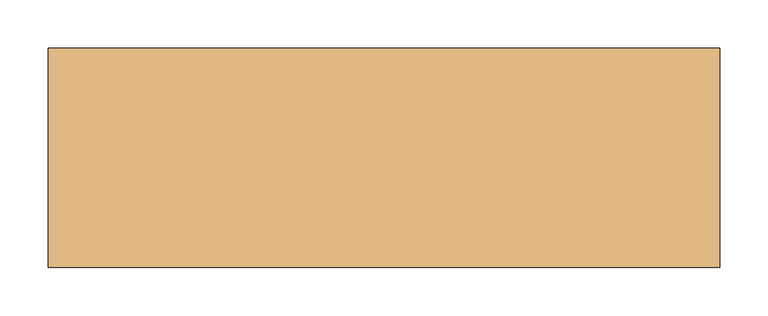
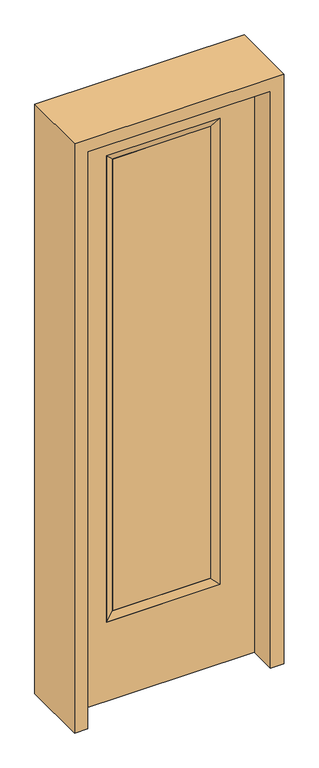
"""IFC4 building model written with IfcOpenShell, lengths in millimetres: door geometry."""

import ifcopenshell
import ifcopenshell.guid

model = None  # the IFC model being written
_history = None  # IfcOwnerHistory: only IFC2X3 demands one
_inside = {}  # id of a spatial element -> (the spatial element, [elements in it])
_under = {}  # id of a project, library or spatial element -> (it, [spatial elements below it])
_declared = {}  # id of a project -> (the project, [libraries it declares])
_typed = {}  # id of a type object -> (the type object, [elements of that type])
_made_of = {}  # id of a material, layer set ... -> (it, [elements and type objects made of it])


def new_model(schema):
    """Start an empty IFC model of exactly this schema.

    Asked for "IFC4X3", IfcOpenShell would pick the latest addendum, in which some entities
    have other attributes; the version numbers below select the first issue.
    IFC2X3 requires an IfcOwnerHistory on every rooted entity: one is made here for all.
    """
    global model, _history
    if schema == "IFC4X3":
        model = ifcopenshell.file(schema_version=(4, 3, 0, 0))
    else:
        model = ifcopenshell.file(schema=schema)
    _inside.clear()
    _under.clear()
    _declared.clear()
    _typed.clear()
    _made_of.clear()
    _history = None
    if model.schema == "IFC2X3":
        org = make("IfcOrganization", Name="unknown")
        user = make(
            "IfcPersonAndOrganization",
            ThePerson=make("IfcPerson", FamilyName="unknown"),
            TheOrganization=org,
        )
        app = make(
            "IfcApplication",
            ApplicationDeveloper=org,
            Version="unknown",
            ApplicationFullName="unknown",
            ApplicationIdentifier="unknown",
        )
        _history = make(
            "IfcOwnerHistory",
            OwningUser=user,
            OwningApplication=app,
            ChangeAction="ADDED",
            CreationDate=0,
        )
    return model


def make(cls, **values):
    """One entity of the class cls with the attributes given. An attribute that is None is left unset."""
    return model.create_entity(
        cls, **{name: value for name, value in values.items() if value is not None}
    )


def rooted(cls, **values):
    """An entity with a GlobalId (a new one), such as an element, a storey or a relation."""
    return make(cls, GlobalId=ifcopenshell.guid.new(), OwnerHistory=_history, **values)


def si_unit(unit_type, name, prefix=None):
    """IfcSIUnit, for example si_unit("LENGTHUNIT", "METRE", prefix="MILLI")."""
    return make("IfcSIUnit", UnitType=unit_type, Prefix=prefix, Name=name)


def assignment(units):
    """IfcUnitAssignment: the units of a project."""
    return None if units is None else make("IfcUnitAssignment", Units=units)


def point(xyz):
    """IfcCartesianPoint."""
    return None if xyz is None else make("IfcCartesianPoint", Coordinates=xyz)


def direction(xyz):
    """IfcDirection."""
    return None if xyz is None else make("IfcDirection", DirectionRatios=xyz)


def frame(location, z_axis=None, x_axis=None):
    """IfcAxis2Placement3D, a coordinate frame: its origin and axes. An axis left out is left unset."""
    return make(
        "IfcAxis2Placement3D",
        Location=point(location),
        Axis=direction(z_axis),
        RefDirection=direction(x_axis),
    )


def origin():
    """The frame at (0, 0, 0) with its axes left unset."""
    return frame((0.0, 0.0, 0.0))


def place(relative_to, where):
    """IfcLocalPlacement: puts the frame where relative to a parent placement (None: the world)."""
    return make(
        "IfcLocalPlacement", PlacementRelTo=relative_to, RelativePlacement=where
    )


def context(
    kind, dimensions, precision=None, world=None, true_north=None, identifier=None
):
    """IfcGeometricRepresentationContext, for example the 3D "Model" context."""
    return make(
        "IfcGeometricRepresentationContext",
        ContextIdentifier=identifier,
        ContextType=kind,
        CoordinateSpaceDimension=dimensions,
        Precision=precision,
        WorldCoordinateSystem=world,
        TrueNorth=true_north,
    )


def project(units=None, contexts=None):
    """IfcProject with its units and contexts."""
    return rooted(
        "IfcProject",
        Name="project",
        RepresentationContexts=contexts,
        UnitsInContext=assignment(units),
    )


def spatial(cls, under=None, at=None, **own):
    """A site, building, storey or space (cls), placed at a placement, below another one or the project."""
    s = rooted(cls, ObjectPlacement=at, **own)
    if under is not None:
        _under.setdefault(under.id(), (under, []))[1].append(s)
    return s


def polyline(points):
    """IfcPolyline through the points."""
    return make("IfcPolyline", Points=[point(p) for p in points])


def outline(outer, holes=None, kind="AREA"):
    """IfcArbitraryClosedProfileDef: a profile drawn as a closed curve; with holes, ...WithVoids."""
    if holes is None:
        return make("IfcArbitraryClosedProfileDef", ProfileType=kind, OuterCurve=outer)
    return make(
        "IfcArbitraryProfileDefWithVoids",
        ProfileType=kind,
        OuterCurve=outer,
        InnerCurves=holes,
    )


def extrude(swept, where, along, depth):
    """IfcExtrudedAreaSolid: the profile swept, set in the frame where, extruded along a direction by depth."""
    return make(
        "IfcExtrudedAreaSolid",
        SweptArea=swept,
        Position=where,
        ExtrudedDirection=direction(along),
        Depth=depth,
    )


def faces_of(points, faces, orient=None, outer=None):
    """IfcFace entities. A face is a list of loops; a loop is a list of indices into points, from 0.

    orient and outer hold one flag for each loop. By default every Orientation is true, the
    first loop of a face is its IfcFaceOuterBound and the others are IfcFaceBound.
    """
    made = []
    for i, loops in enumerate(faces):
        bounds = []
        for j, loop in enumerate(loops):
            is_outer = j == 0 if outer is None else outer[i][j]
            bounds.append(
                make(
                    "IfcFaceOuterBound" if is_outer else "IfcFaceBound",
                    Bound=make("IfcPolyLoop", Polygon=[points[k] for k in loop]),
                    Orientation=True if orient is None else orient[i][j],
                )
            )
        made.append(make("IfcFace", Bounds=bounds))
    return made


def faceted_brep(points, faces, orient=None, outer=None, voids=None):
    """IfcFacetedBrep: a solid bounded by flat faces; with voids (closed shells), ...WithVoids."""
    shared = [point(p) for p in points]
    hull = make("IfcClosedShell", CfsFaces=faces_of(shared, faces, orient, outer))
    if voids is None:
        return make("IfcFacetedBrep", Outer=hull)
    return make(
        "IfcFacetedBrepWithVoids",
        Outer=hull,
        Voids=[
            make(cls, CfsFaces=faces_of(shared, fs, o, b)) for cls, fs, o, b in voids
        ],
    )


def shape(context_of_items, identifier, shape_type, items):
    """IfcShapeRepresentation: the items that make up one representation, for example the "Body"."""
    return make(
        "IfcShapeRepresentation",
        ContextOfItems=context_of_items,
        RepresentationIdentifier=identifier,
        RepresentationType=shape_type,
        Items=items,
    )


def source(mapping_origin, context_of_items, identifier, shape_type, items):
    """IfcRepresentationMap: a shape defined once, which mapped items show again and again."""
    return make(
        "IfcRepresentationMap",
        MappingOrigin=mapping_origin,
        MappedRepresentation=shape(context_of_items, identifier, shape_type, items),
    )


def transform(
    local_origin,
    x_axis=None,
    y_axis=None,
    z_axis=None,
    scale=None,
    scale2=None,
    scale3=None,
    uniform=True,
):
    """IfcCartesianTransformationOperator3D, or its non-uniform kind. x_axis, y_axis, z_axis: its Axis1, 2, 3."""
    if uniform:
        return make(
            "IfcCartesianTransformationOperator3D",
            Axis1=direction(x_axis),
            Axis2=direction(y_axis),
            LocalOrigin=point(local_origin),
            Scale=scale,
            Axis3=direction(z_axis),
        )
    return make(
        "IfcCartesianTransformationOperator3DnonUniform",
        Axis1=direction(x_axis),
        Axis2=direction(y_axis),
        LocalOrigin=point(local_origin),
        Scale=scale,
        Axis3=direction(z_axis),
        Scale2=scale2,
        Scale3=scale3,
    )


def mapped(mapping_source, mapping_target):
    """IfcMappedItem: shows the shape of a source again, moved by a transform."""
    return make(
        "IfcMappedItem", MappingSource=mapping_source, MappingTarget=mapping_target
    )


def made_of(thing, what):
    """Note that an element or type object is made of a material, layer set ...; save() writes the relation."""
    if what is not None:
        _made_of.setdefault(what.id(), (what, []))[1].append(thing)
    return thing


def element(
    cls,
    number,
    at=None,
    inside=None,
    cuts=None,
    type_object=None,
    material=None,
    context=None,
    identifier="Body",
    shape_type=None,
    held_by="IfcProductDefinitionShape",
    body=None,
    shapes=None,
    **own,
):
    """One element of the class cls, such as IfcWall. Its Tag is "e" and its number.

    at: its placement. inside: the storey or other place that contains it. cuts: it is an
    opening in that element (IfcRelVoidsElement). A single representation is given by context,
    identifier, shape_type and body (its items); several are given by shapes. held_by: the class
    of the entity that holds the representations. save() writes the other relations.
    """
    e = rooted(cls, Tag="e%d" % number, ObjectPlacement=at, **own)
    if body is not None:
        shapes = [shape(context, identifier, shape_type, body)]
    if shapes is not None:
        e.Representation = make(held_by, Representations=shapes)
    if inside is not None:
        _inside.setdefault(inside.id(), (inside, []))[1].append(e)
    if cuts is not None:
        rooted(
            "IfcRelVoidsElement", RelatingBuildingElement=cuts, RelatedOpeningElement=e
        )
    if type_object is not None:
        _typed.setdefault(type_object.id(), (type_object, []))[1].append(e)
    return made_of(e, material)


def aggregate(whole, parts):
    """IfcRelAggregates: a whole, such as a stair, and the parts it consists of."""
    return rooted("IfcRelAggregates", RelatingObject=whole, RelatedObjects=parts)


def save(model, path):
    """Write the relations noted so far, then the file.

    IfcRelAggregates (storeys below a building ...), IfcRelContainedInSpatialStructure (elements
    in a storey), IfcRelDefinesByType, IfcRelAssociatesMaterial and IfcRelDeclares: one each for
    every whole, place, type object, material and project.
    """
    for whole, parts in _under.values():
        aggregate(whole, parts)
    for where, things in _inside.values():
        rooted(
            "IfcRelContainedInSpatialStructure",
            RelatedElements=things,
            RelatingStructure=where,
        )
    for kind, things in _typed.values():
        rooted("IfcRelDefinesByType", RelatedObjects=things, RelatingType=kind)
    for what, things in _made_of.values():
        rooted("IfcRelAssociatesMaterial", RelatedObjects=things, RelatingMaterial=what)
    for by, libraries in _declared.values():
        rooted("IfcRelDeclares", RelatingContext=by, RelatedDefinitions=libraries)
    model.write(path)


def door_ac92e405(model_context):
    return source(origin(), model_context, "Body", "SolidModel", [
        extrude(outline(polyline([(163.9824, -12.7039749), (-163.9824, -12.7039749), (-163.9824, 14.2875), (163.9824, 14.2875), (163.9824, -12.7039749)])), frame((0.0, 0.0, 304.8), z_axis=(0.0, 0.0, 1.0), x_axis=(1.0, 0.0, 0.0)), (0.0, 0.0, 1.0), 1591.1576),
        faceted_brep([(163.9824, 14.2875, 1895.9576), (189.3824, 22.225, 1921.3576), (189.3824, 22.225, 279.4), (163.9824, 14.2875, 304.8), (189.3824, -22.225, 1921.3576), (189.3824, -22.225, 279.4), (-189.3824, 22.225, 279.4), (-163.9824, 14.2875, 304.8), (163.9824, -12.7039749, 1895.9576), (163.9824, -12.7039749, 304.8), (-163.9824, -12.7039749, 304.8), (-189.3824, -22.225, 279.4), (-189.3824, 22.225, 1921.3576), (-163.9824, 14.2875, 1895.9576), (-163.9824, -12.7039749, 1895.9576), (-189.3824, -22.225, 1921.3576)], [[[0, 1, 2, 3]], [[1, 4, 5, 2]], [[3, 2, 6, 7]], [[8, 0, 3, 9]], [[9, 3, 7, 10]], [[4, 8, 9, 5]], [[5, 9, 10, 11]], [[2, 5, 11, 6]], [[7, 6, 12, 13]], [[10, 7, 13, 14]], [[11, 10, 14, 15]], [[6, 11, 15, 12]], [[13, 12, 1, 0]], [[14, 13, 0, 8]], [[15, 14, 8, 4]], [[12, 15, 4, 1]]]),
        extrude(outline(polyline([(0.0, -304.8), (0.0, 304.8), (2032.0, 304.8), (2032.0, -304.8), (0.0, -304.8)]), holes=[polyline([(279.4, -189.3824), (1921.3576, -189.3824), (1921.3576, 189.3824), (279.4, 189.3824), (279.4, -189.3824)])]), frame((0.0, -22.225, 0.0), z_axis=(0.0, 1.0, 0.0), x_axis=(0.0, 0.0, 1.0)), (0.0, 0.0, 1.0), 44.45),
        extrude(outline(polyline([(0.0, -349.25), (0.0, -304.8), (2032.0, -304.8), (2032.0, 304.8), (0.0, 304.8), (0.0, 349.25), (2076.45, 349.25), (2076.45, -349.25), (0.0, -349.25)])), frame((0.0, -114.3, 0.0), z_axis=(0.0, 1.0, 0.0), x_axis=(0.0, 0.0, 1.0)), (0.0, 0.0, 1.0), 228.6),
    ])


if __name__ == "__main__":
    model = new_model("IFC4")
    model_context = context("Model", 3, world=origin())
    ifc_project = project(units=[si_unit("LENGTHUNIT", "METRE", prefix="MILLI")], contexts=[model_context])
    site = spatial("IfcSite", under=ifc_project)
    building = spatial("IfcBuilding", under=site)
    placement = place(None, origin())
    door_shape = door_ac92e405(model_context)
    element("IfcDoor", 1, at=placement, inside=building, context=model_context, shape_type="MappedRepresentation", body=[
        mapped(door_shape, transform((0.0, 0.0, 0.0), x_axis=(1.0, 0.0, 0.0), y_axis=(0.0, 1.0, 0.0), z_axis=(0.0, 0.0, 1.0))),
    ])
    save(model, "model.ifc")
